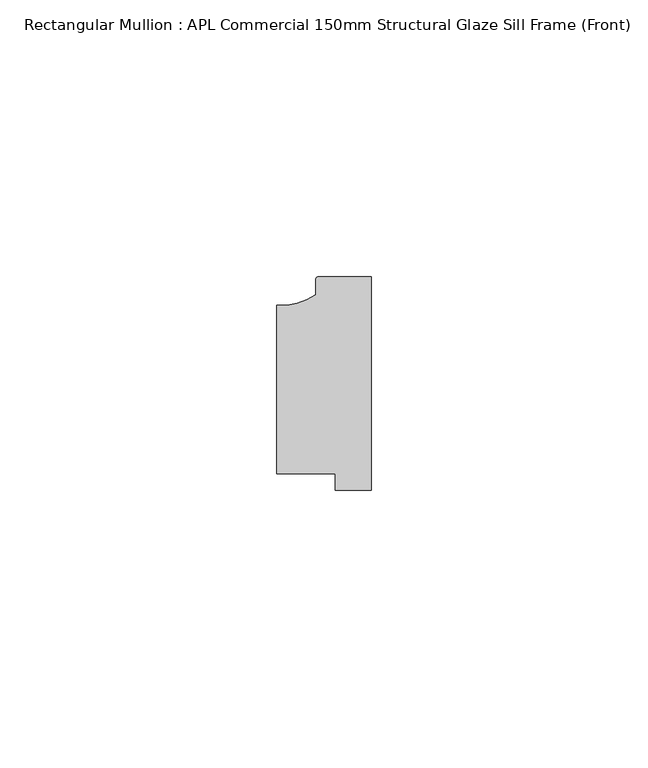
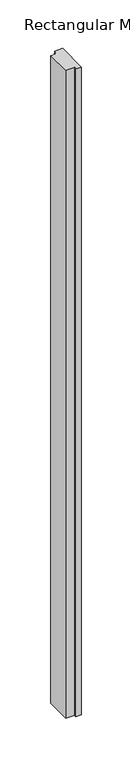
"""IFC4 building model written with IfcOpenShell, lengths in millimetres: member geometry, Rectangular Mullion : APL Commercial 150mm Structural Glaze Sill Frame (Front)."""

from ifc_helpers import new_model, si_unit, point, frame, frame_2d, origin, place, context, project, spatial, polyline, circle_curve, trimmed, segment, composite_curve, outline, extrude, source, transform, mapped, element, save


def rectangular_mullion_apl_commercial_150mm_structural_glaze_b4a70e1b(model_context):
    return source(origin(), model_context, "Body", "SweptSolid", [
        extrude(outline(composite_curve([segment(trimmed(circle_curve(frame_2d((-16.1098048, 25.7977481)), 10.4563907), [point((-16.999942, 15.3793144))], [point((-10.0, 17.3120901))], True, "CARTESIAN"), True, "CONTINUOUS"), segment(polyline([(-10.0, 17.3120901), (-10.0, 19.9980675)]), True, "CONTINUOUS"), segment(trimmed(circle_curve(frame_2d((-9.5000029, 19.99978)), 0.5), [point((-10.0, 19.9980675))], [point((-9.5000029, 20.49978))], False, "CARTESIAN"), True, "CONTINUOUS"), segment(polyline([(-9.5000029, 20.49978), (0.0, 20.49978), (0.0, -18.0281616), (-6.5000029, -18.0281616), (-6.5000029, -15.0004332), (-16.999942, -15.0004332), (-16.999942, 15.3793144)]), True, "CONTINUOUS")], self_intersect=False)), frame((0.0, 0.0, -815.4605554), z_axis=(0.0, 0.0, 1.0), x_axis=(1.0, 0.0, 0.0)), (0.0, 0.0, 1.0), 815.4605554),
    ])


if __name__ == "__main__":
    model = new_model("IFC4")
    model_context = context("Model", 3, world=origin())
    ifc_project = project(units=[si_unit("LENGTHUNIT", "METRE", prefix="MILLI")], contexts=[model_context])
    site = spatial("IfcSite", under=ifc_project)
    building = spatial("IfcBuilding", under=site)
    placement = place(None, origin())
    rectangular_mullion_apl_commercial_150mm_structural_glaze_shape = rectangular_mullion_apl_commercial_150mm_structural_glaze_b4a70e1b(model_context)
    element("IfcMember", 1, ObjectType="Rectangular Mullion : APL Commercial 150mm Structural Glaze Sill Frame (Front)", at=placement, inside=building, context=model_context, shape_type="MappedRepresentation", body=[
        mapped(rectangular_mullion_apl_commercial_150mm_structural_glaze_shape, transform((0.0, 0.0, 0.0), x_axis=(1.0, 0.0, 0.0), y_axis=(0.0, 1.0, 0.0), z_axis=(0.0, 0.0, 1.0))),
    ])
    save(model, "model.ifc")
